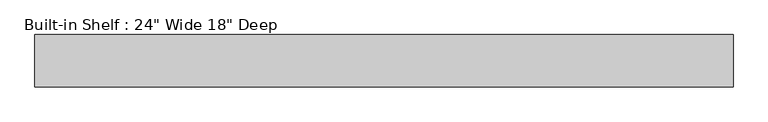
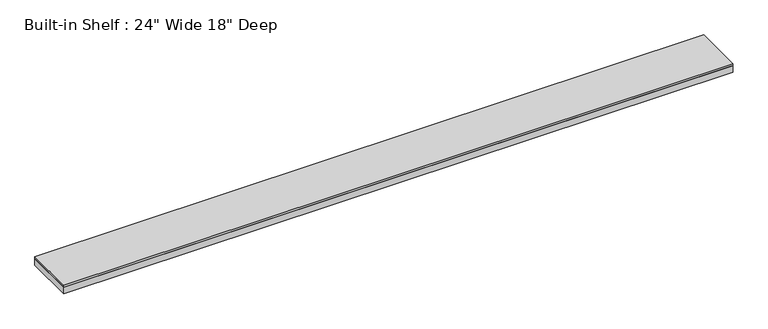
"""IFC4 building model written with IfcOpenShell, lengths in millimetres: furniture geometry."""

from ifc_helpers import new_model, si_unit, frame, origin, place, context, project, spatial, polyline, outline, extrude, source, transform, mapped, element, save


def furniture_35b1b914(model_context):
    return source(origin(), model_context, "Body", "SweptSolid", [
        extrude(outline(polyline([(3054.7574129, 554.0375), (3054.7574129, 96.8375), (-3054.7574129, 96.8375), (-3054.7574129, 554.0375), (3054.7574129, 554.0375)])), frame((0.0, 0.0, 2114.55), z_axis=(0.0, 0.0, 1.0), x_axis=(1.0, 0.0, 0.0)), (0.0, 0.0, 1.0), 19.05),
        extrude(outline(polyline([(3054.7574129, 96.8375), (-3054.7574129, 96.8375), (-3054.7574129, 554.0375), (-3035.7074129, 554.0375), (-3035.7074129, 115.8875), (3035.7074129, 115.8875), (3035.7074129, 554.0375), (3054.7574129, 554.0375), (3054.7574129, 96.8375)])), frame((0.0, 0.0, 2051.05), z_axis=(0.0, 0.0, 1.0), x_axis=(1.0, 0.0, 0.0)), (0.0, 0.0, 1.0), 63.5),
    ])


if __name__ == "__main__":
    model = new_model("IFC4")
    model_context = context("Model", 3, world=origin())
    ifc_project = project(units=[si_unit("LENGTHUNIT", "METRE", prefix="MILLI")], contexts=[model_context])
    site = spatial("IfcSite", under=ifc_project)
    building = spatial("IfcBuilding", under=site)
    placement = place(None, origin())
    furniture_shape = furniture_35b1b914(model_context)
    element("IfcFurniture", 1, ObjectType="Built-in Shelf : 24\" Wide 18\" Deep", at=placement, inside=building, context=model_context, shape_type="MappedRepresentation", body=[
        mapped(furniture_shape, transform((0.0, 0.0, 0.0), x_axis=(1.0, 0.0, 0.0), y_axis=(0.0, 1.0, 0.0), z_axis=(0.0, 0.0, 1.0))),
    ])
    save(model, "model.ifc")
